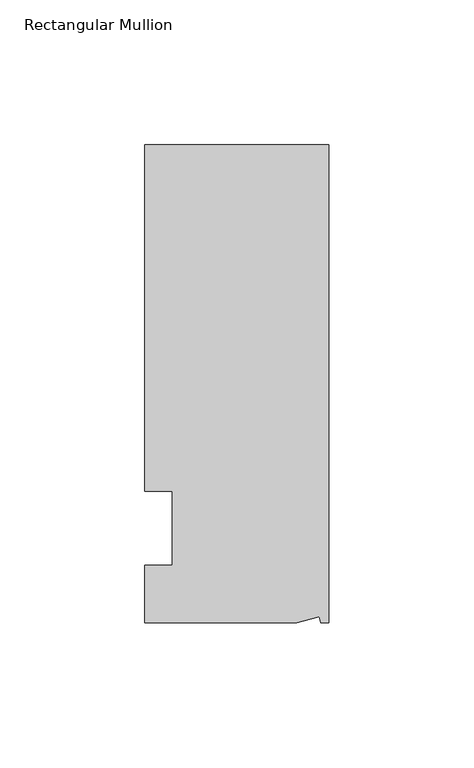
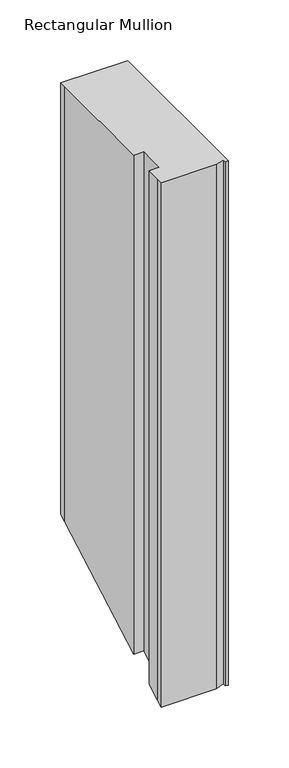
"""IFC4 building model written with IfcOpenShell, lengths in millimetres: member geometry, Rectangular Mullion."""

from ifc_helpers import new_model, si_unit, origin, place, context, project, spatial, faceted_brep, source, transform, mapped, element, save


def rectangular_mullion_d9f00928(model_context):
    return source(origin(), model_context, "Body", "Brep", [
        faceted_brep([(0.0, 132.5561012, 0.0), (-63.5, 132.5561012, 0.0), (-63.5, 126.2061012, 0.0), (-63.5, 12.8488281, 0.0), (-53.975, 12.8488281, 0.0), (-53.975, -12.7, 0.0), (-63.5, -12.7, 0.0), (-63.5, -26.1938988, 0.0), (-63.5076469, -32.5438988, 0.0), (-11.1125, -32.5438988, 0.0), (-3.3223696, -30.4565397, 0.0), (-2.7630634, -32.5438988, 0.0), (0.0, -32.5438988, 0.0), (0.0, -32.5438988, -526.4124521), (0.0, 132.5561012, -433.0033664), (-63.5, 132.5561012, -433.0033664), (-63.5, 126.2061012, -436.5960235), (-63.5, 12.8488281, -500.7304828), (-53.975, 12.8488281, -500.7304828), (-53.975, -12.7, -515.1853143), (-63.5, -12.7, -515.1853143), (-63.5, -26.1938988, -522.8197949), (-63.5076469, -32.5438988, -526.4124521), (-11.1125, -32.5438988, -526.4124521), (-3.3223696, -30.4565397, -525.2314811), (-2.7630634, -32.5438988, -526.4124521)], [[[0, 1, 2, 3, 4, 5, 6, 7, 8, 9, 10, 11, 12]], [[0, 12, 13, 14]], [[1, 0, 14, 15]], [[3, 2, 16, 17]], [[4, 3, 17, 18]], [[5, 4, 18, 19]], [[6, 5, 19, 20]], [[7, 6, 20, 21]], [[9, 8, 22, 23]], [[10, 9, 23, 24]], [[11, 10, 24, 25]], [[12, 11, 25, 13]], [[14, 13, 25, 24, 23, 22, 21, 20, 19, 18, 17, 16, 15]], [[2, 1, 15, 16]], [[8, 7, 21, 22]]]),
    ])


if __name__ == "__main__":
    model = new_model("IFC4")
    model_context = context("Model", 3, world=origin())
    ifc_project = project(units=[si_unit("LENGTHUNIT", "METRE", prefix="MILLI")], contexts=[model_context])
    site = spatial("IfcSite", under=ifc_project)
    building = spatial("IfcBuilding", under=site)
    placement = place(None, origin())
    rectangular_mullion_shape = rectangular_mullion_d9f00928(model_context)
    element("IfcMember", 1, ObjectType="Rectangular Mullion", at=placement, inside=building, context=model_context, shape_type="MappedRepresentation", body=[
        mapped(rectangular_mullion_shape, transform((0.0, 0.0, 0.0), x_axis=(1.0, 0.0, 0.0), y_axis=(0.0, 1.0, 0.0), z_axis=(0.0, 0.0, 1.0))),
    ])
    save(model, "model.ifc")
